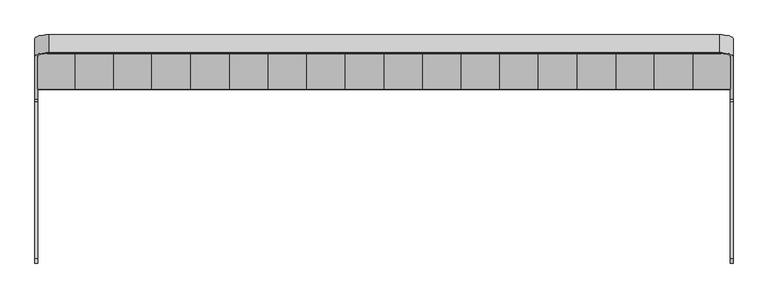
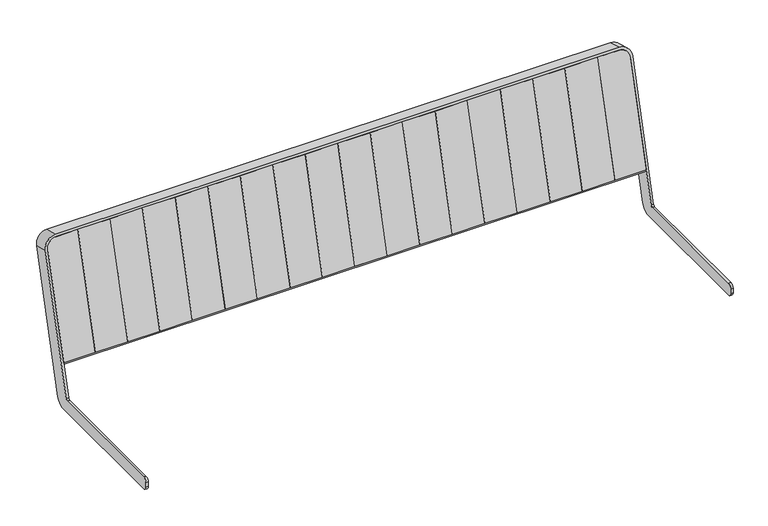
"""IFC4 building model written with IfcOpenShell, lengths in millimetres: furniture geometry."""

from ifc_helpers import new_model, si_unit, point, frame, frame_2d, origin, place, context, project, spatial, polyline, circle_curve, trimmed, segment, composite_curve, outline, extrude, source, transform, mapped, element, save
from ifc_brep_helpers import plane_surface, cylinder_surface, revolved_surface, advanced_brep


def furniture_ffbf348c(model_context):
    return source(origin(), model_context, "Body", "SolidModel", [
        extrude(outline(polyline([(0.0, -83.5799721), (0.0, 0.0), (39.1205751, 0.0), (39.1205751, -83.5799721), (0.0, -83.5799721)])), frame((580.2051572, 228.7525296, 518.4817281), z_axis=(0.0, 0.2588190451025214, 0.9659258262890681), x_axis=(0.0, 0.9659258262890681, -0.2588190451025214)), (0.0, 0.0, 1.0), 296.0),
        extrude(outline(polyline([(0.0, -81.4200279), (0.0, 0.0), (39.1205751, 0.0), (39.1205751, -81.4200279), (0.0, -81.4200279)])), frame((498.7851293, 228.7525296, 518.4817281), z_axis=(0.0, 0.2588190451025194, 0.9659258262890688), x_axis=(0.0, 0.9659258262890688, -0.2588190451025194)), (0.0, 0.0, 1.0), 296.0),
        extrude(outline(polyline([(0.0, -83.5799721), (0.0, 0.0), (39.1205751, 0.0), (39.1205751, -83.5799721), (0.0, -83.5799721)])), frame((415.2051572, 228.7525296, 518.4817281), z_axis=(0.0, 0.25881904510252124, 0.9659258262890682), x_axis=(0.0, 0.9659258262890682, -0.25881904510252124)), (0.0, 0.0, 1.0), 296.0),
        extrude(outline(polyline([(0.0, -83.394898), (0.0, 0.0), (39.1205751, 0.0), (39.1205751, -83.394898), (0.0, -83.394898)])), frame((331.8102592, 228.7525296, 518.4817281), z_axis=(0.0, 0.25881904510252124, 0.9659258262890682), x_axis=(0.0, 0.9659258262890682, -0.25881904510252124)), (0.0, 0.0, 1.0), 296.0),
        extrude(outline(polyline([(0.0, -82.7835857), (0.0, 0.0), (39.1205751, 0.0), (39.1205751, -82.7835857), (0.0, -82.7835857)])), frame((249.0266735, 228.7525296, 518.4817281), z_axis=(0.0, 0.25881904510252124, 0.9659258262890682), x_axis=(0.0, 0.9659258262890682, -0.25881904510252124)), (0.0, 0.0, 1.0), 296.0),
        extrude(outline(polyline([(0.0, -83.4381797), (0.0, 0.0), (39.1205751, 0.0), (39.1205751, -83.4381797), (0.0, -83.4381797)])), frame((165.5884938, 228.7525296, 518.4817281), z_axis=(0.0, 0.25881904510252124, 0.9659258262890682), x_axis=(0.0, 0.9659258262890682, -0.25881904510252124)), (0.0, 0.0, 1.0), 296.0),
        extrude(outline(polyline([(0.0, -82.4183987), (0.0, 0.0), (39.1205751, 0.0), (39.1205751, -82.4183987), (0.0, -82.4183987)])), frame((83.1700951, 228.7525296, 518.4817281), z_axis=(0.0, 0.25881904510252124, 0.9659258262890682), x_axis=(0.0, 0.9659258262890682, -0.25881904510252124)), (0.0, 0.0, 1.0), 296.0),
        extrude(outline(polyline([(0.0, -83.1700951), (0.0, 0.0), (39.1205751, 0.0), (39.1205751, -83.1700951), (0.0, -83.1700951)])), frame((0.0, 228.7525296, 518.4817281), z_axis=(0.0, 0.25881904510252124, 0.9659258262890682), x_axis=(0.0, 0.9659258262890682, -0.25881904510252124)), (0.0, 0.0, 1.0), 296.0),
        extrude(outline(polyline([(0.0, -83.1700951), (0.0, 0.0), (39.1205751, 0.0), (39.1205751, -83.1700951), (0.0, -83.1700951)])), frame((-83.1700951, 228.7525296, 518.4817281), z_axis=(0.0, 0.2588190451025214, 0.9659258262890681), x_axis=(0.0, 0.9659258262890681, -0.2588190451025214)), (0.0, 0.0, 1.0), 296.0),
        extrude(outline(polyline([(0.0, -82.4183987), (0.0, 0.0), (39.1205751, 0.0), (39.1205751, -82.4183987), (0.0, -82.4183987)])), frame((-165.5884938, 228.7525296, 518.4817281), z_axis=(0.0, 0.2588190451025214, 0.9659258262890681), x_axis=(0.0, 0.9659258262890681, -0.2588190451025214)), (0.0, 0.0, 1.0), 296.0),
        extrude(outline(polyline([(0.0, -83.4381797), (0.0, 0.0), (39.1205751, 0.0), (39.1205751, -83.4381797), (0.0, -83.4381797)])), frame((-249.0266735, 228.7525296, 518.4817281), z_axis=(0.0, 0.2588190451025214, 0.9659258262890681), x_axis=(0.0, 0.9659258262890681, -0.2588190451025214)), (0.0, 0.0, 1.0), 296.0),
        extrude(outline(polyline([(0.0, -82.7835857), (0.0, 0.0), (39.1205751, 0.0), (39.1205751, -82.7835857), (0.0, -82.7835857)])), frame((-331.8102592, 228.7525296, 518.4817281), z_axis=(0.0, 0.2588190451025214, 0.9659258262890681), x_axis=(0.0, 0.9659258262890681, -0.2588190451025214)), (0.0, 0.0, 1.0), 296.0),
        extrude(outline(polyline([(0.0, -83.394898), (0.0, 0.0), (39.1205751, 0.0), (39.1205751, -83.394898), (0.0, -83.394898)])), frame((-415.2051572, 228.7525296, 518.4817281), z_axis=(0.0, 0.25881904510252124, 0.9659258262890682), x_axis=(0.0, 0.9659258262890682, -0.25881904510252124)), (0.0, 0.0, 1.0), 296.0),
        extrude(outline(polyline([(0.0, -83.5799721), (0.0, 0.0), (39.1205751, 0.0), (39.1205751, -83.5799721), (0.0, -83.5799721)])), frame((-498.7851293, 228.7525296, 518.4817281), z_axis=(0.0, 0.2588190451025214, 0.9659258262890681), x_axis=(0.0, 0.9659258262890681, -0.2588190451025214)), (0.0, 0.0, 1.0), 296.0),
        extrude(outline(polyline([(0.0, -81.4200279), (0.0, 0.0), (39.1205751, 0.0), (39.1205751, -81.4200279), (0.0, -81.4200279)])), frame((-580.2051572, 228.7525296, 518.4817281), z_axis=(0.0, 0.25881904510252124, 0.9659258262890682), x_axis=(0.0, 0.9659258262890682, -0.25881904510252124)), (0.0, 0.0, 1.0), 296.0),
        extrude(outline(polyline([(0.0, -83.5799721), (0.0, 0.0), (39.1205751, 0.0), (39.1205751, -83.5799721), (0.0, -83.5799721)])), frame((-663.7851293, 228.7525296, 518.4817281), z_axis=(0.0, 0.25881904510251963, 0.9659258262890686), x_axis=(0.0, 0.9659258262890686, -0.25881904510251963)), (0.0, 0.0, 1.0), 296.0),
        extrude(outline(composite_curve([segment(polyline([(-25.0, -24.9999999), (-25.0, 246.0), (55.2148, 246.0), (55.2148, -50.0), (0.0, -50.0)]), True, "CONTINUOUS"), segment(trimmed(circle_curve(frame_2d((0.0, -24.9999999)), 25.0), [point((0.0, -50.0))], [point((-25.0, -24.9999999))], False, "CARTESIAN"), True, "CONTINUOUS")], self_intersect=False)), frame((718.9999293, 330.2095885, 745.9743315), z_axis=(0.0, -0.9659258262890683, 0.2588190451025209), x_axis=(-1.0, 0.0, 0.0)), (0.0, 0.0, 1.0), 39.120575),
        extrude(outline(composite_curve([segment(trimmed(circle_curve(frame_2d((0.0, -25.0)), 25.0), [point((0.0, 0.0))], [point((25.0, -25.0))], False, "CARTESIAN"), True, "CONTINUOUS"), segment(polyline([(25.0, -25.0), (25.0, -80.2148), (-271.0, -80.2148), (-271.0, 0.0), (0.0, 0.0)]), True, "CONTINUOUS")], self_intersect=False)), frame((-743.9999293, 336.6800646, 770.1224771), z_axis=(0.0, -0.9659258262890682, 0.2588190451025209), x_axis=(0.0, 0.2588190451025209, 0.9659258262890682)), (0.0, 0.0, 1.0), 39.120575),
        extrude(outline(composite_curve([segment(polyline([(-20.0, 0.0), (0.0, 0.0)]), True, "CONTINUOUS"), segment(trimmed(circle_curve(frame_2d((0.0, -25.0)), 25.0), [point((0.0, 0.0))], [point((25.0, -25.0))], False, "CARTESIAN"), True, "CONTINUOUS"), segment(polyline([(25.0, -25.0), (25.0, -1462.9998586)]), True, "CONTINUOUS"), segment(trimmed(circle_curve(frame_2d((0.0, -1462.9998586)), 25.0), [point((25.0, -1462.9998586))], [point((0.0, -1487.9998586))], False, "CARTESIAN"), True, "CONTINUOUS"), segment(polyline([(0.0, -1487.9998586), (-20.0, -1487.9998586), (-20.0, 0.0)]), True, "CONTINUOUS")], self_intersect=False)), frame((-743.9999293, 337.5295239, 769.8948652), z_axis=(0.0, -0.9659258262890719, 0.25881904510250753), x_axis=(0.0, 0.25881904510250753, 0.9659258262890719)), (0.0, 0.0, 1.0), 3.0),
        advanced_brep(
        [(-743.9999293, 207.0117298, 437.3439587), (-743.9999293, 202.1821007, 433.6380539), (-743.9999293, -135.5529143, 433.6380539), (-743.9999293, -145.5529143, 423.6380539), (-743.9999293, -145.5529143, 411.6380539), (-743.9999293, -135.5529143, 401.6380539), (-743.9999293, 219.672234, 401.6380539), (-743.9999293, 243.8203796, 420.1675778), (-743.9999293, 337.5295239, 769.8948652), (-743.9999293, 298.8924908, 780.247627), (-749.9999293, 243.8203796, 420.1675778), (-749.9999293, 219.672234, 401.6380539), (-749.9999293, -135.5529143, 401.6380539), (-749.9999293, -145.5529143, 411.6380539), (-749.9999293, -145.5529143, 423.6380539), (-749.9999293, -135.5529143, 433.6380539), (-749.9999293, 202.1821007, 433.6380539), (-749.9999293, 207.0117298, 437.3439587), (-749.9999293, 299.1513099, 781.2135528), (-749.9999293, 337.7883429, 770.860791), (-718.9999293, 305.3629669, 804.3957727), (718.9999293, 305.3629669, 804.3957727), (743.9999293, 298.8924908, 780.247627), (743.9999293, 207.0117298, 437.3439587), (749.9999293, 207.0117298, 437.3439587), (749.9999293, 299.1513099, 781.2135528), (719.9999293, 306.9158812, 810.1913276), (-719.9999293, 306.9158812, 810.1913276), (-719.9999293, 345.5529143, 799.8385658), (719.9999293, 345.5529143, 799.8385658), (749.9999293, 337.7883429, 770.860791), (749.9999293, 243.8203796, 420.1675778), (743.9999293, 243.8203796, 420.1675778), (743.9999293, 337.5295239, 769.8948652), (718.9999293, 344.0, 794.0430109), (-718.9999293, 344.0, 794.0430109), (743.9999293, 219.672234, 401.6380539), (743.9999293, -135.5529143, 401.6380539), (743.9999293, -145.5529143, 411.6380539), (743.9999293, -145.5529143, 423.6380539), (743.9999293, -135.5529143, 433.6380539), (743.9999293, 202.1821007, 433.6380539), (749.9999293, 202.1821007, 433.6380539), (749.9999293, -135.5529143, 433.6380539), (749.9999293, -145.5529143, 423.6380539), (749.9999293, -145.5529143, 411.6380539), (749.9999293, -135.5529143, 401.6380539), (749.9999293, 219.672234, 401.6380539)],
        [
            (0, 1, circle_curve(frame((-743.9999293, 202.1821007, 438.6380539), z_axis=(-1.0, 0.0, 0.0), x_axis=(0.0, 0.0, -1.0)), 5.0)),
            (1, 2),
            (2, 3, circle_curve(frame((-743.9999293, -135.5529143, 423.6380539), z_axis=(1.0, 0.0, 0.0), x_axis=(0.0, -1.0, 0.0)), 10.0)),
            (3, 4),
            (4, 5, circle_curve(frame((-743.9999293, -135.5529143, 411.6380539), z_axis=(1.0, 0.0, 0.0), x_axis=(0.0, -1.0, 0.0)), 10.0)),
            (5, 6),
            (6, 7, circle_curve(frame((-743.9999293, 219.672234, 426.6380539), z_axis=(1.0, 0.0, 0.0), x_axis=(0.0, 0.0, -1.0)), 25.0)),
            (7, 8),
            (8, 9),
            (9, 0),
            (10, 11, circle_curve(frame((-749.9999293, 219.672234, 426.6380539), z_axis=(-1.0, 0.0, 0.0), x_axis=(0.0, 0.0, -1.0)), 25.0)),
            (11, 12),
            (12, 13, circle_curve(frame((-749.9999293, -135.5529143, 411.6380539), z_axis=(-1.0, 0.0, 0.0), x_axis=(0.0, -1.0, 0.0)), 10.0)),
            (13, 14),
            (14, 15, circle_curve(frame((-749.9999293, -135.5529143, 423.6380539), z_axis=(-1.0, 0.0, 0.0), x_axis=(0.0, -1.0, 0.0)), 10.0)),
            (15, 16),
            (16, 17, circle_curve(frame((-749.9999293, 202.1821007, 438.6380539), z_axis=(1.0, 0.0, 0.0), x_axis=(0.0, 0.0, -1.0)), 5.0)),
            (17, 18),
            (18, 19),
            (19, 10),
            (17, 0),
            (9, 20, circle_curve(frame((-718.9999293, 298.8924908, 780.247627), z_axis=(0.0, 0.9659258262890719, -0.25881904510250753), x_axis=(0.0, -0.25881904510250753, -0.9659258262890719)), 25.0)),
            (20, 21),
            (21, 22, circle_curve(frame((718.9999293, 298.8924908, 780.247627), z_axis=(0.0, 0.9659258262890719, -0.25881904510250753), x_axis=(0.0, -0.25881904510250753, -0.9659258262890719)), 25.0)),
            (22, 23),
            (23, 24),
            (24, 25),
            (25, 26, circle_curve(frame((719.9999293, 299.1513099, 781.2135528), z_axis=(0.0, -0.9659258262890719, 0.25881904510250753), x_axis=(0.0, -0.25881904510250753, -0.9659258262890719)), 30.0)),
            (26, 27),
            (27, 18, circle_curve(frame((-719.9999293, 299.1513099, 781.2135528), z_axis=(0.0, -0.9659258262890719, 0.25881904510250753), x_axis=(0.0, -0.25881904510250753, -0.9659258262890719)), 30.0)),
            (16, 1),
            (6, 11),
            (10, 7),
            (19, 28, circle_curve(frame((-719.9999293, 337.7883429, 770.860791), z_axis=(0.0, 0.9659258262890719, -0.25881904510250753), x_axis=(0.0, -0.25881904510250753, -0.9659258262890719)), 30.0)),
            (28, 29),
            (29, 30, circle_curve(frame((719.9999293, 337.7883429, 770.860791), z_axis=(0.0, 0.9659258262890719, -0.25881904510250753), x_axis=(0.0, -0.25881904510250753, -0.9659258262890719)), 30.0)),
            (30, 31),
            (31, 32),
            (32, 33),
            (33, 34, circle_curve(frame((718.9999293, 337.5295239, 769.8948652), z_axis=(0.0, -0.9659258262890719, 0.25881904510250753), x_axis=(0.0, -0.25881904510250753, -0.9659258262890719)), 25.0)),
            (34, 35),
            (35, 8, circle_curve(frame((-718.9999293, 337.5295239, 769.8948652), z_axis=(0.0, -0.9659258262890719, 0.25881904510250753), x_axis=(0.0, -0.25881904510250753, -0.9659258262890719)), 25.0)),
            (15, 2),
            (14, 3),
            (13, 4),
            (12, 5),
            (27, 28),
            (26, 29),
            (20, 35),
            (34, 21),
            (25, 30),
            (33, 22),
            (32, 36, circle_curve(frame((743.9999293, 219.672234, 426.6380539), z_axis=(-1.0, 0.0, 0.0), x_axis=(0.0, 0.0, -1.0)), 25.0)),
            (36, 37),
            (37, 38, circle_curve(frame((743.9999293, -135.5529143, 411.6380539), z_axis=(-1.0, 0.0, 0.0), x_axis=(0.0, -1.0, 0.0)), 10.0)),
            (38, 39),
            (39, 40, circle_curve(frame((743.9999293, -135.5529143, 423.6380539), z_axis=(-1.0, 0.0, 0.0), x_axis=(0.0, -1.0, 0.0)), 10.0)),
            (40, 41),
            (41, 23, circle_curve(frame((743.9999293, 202.1821007, 438.6380539), z_axis=(1.0, 0.0, 0.0), x_axis=(0.0, 0.0, -1.0)), 5.0)),
            (24, 42, circle_curve(frame((749.9999293, 202.1821007, 438.6380539), z_axis=(-1.0, 0.0, 0.0), x_axis=(0.0, 0.0, -1.0)), 5.0)),
            (42, 43),
            (43, 44, circle_curve(frame((749.9999293, -135.5529143, 423.6380539), z_axis=(1.0, 0.0, 0.0), x_axis=(0.0, -1.0, 0.0)), 10.0)),
            (44, 45),
            (45, 46, circle_curve(frame((749.9999293, -135.5529143, 411.6380539), z_axis=(1.0, 0.0, 0.0), x_axis=(0.0, -1.0, 0.0)), 10.0)),
            (46, 47),
            (47, 31, circle_curve(frame((749.9999293, 219.672234, 426.6380539), z_axis=(1.0, 0.0, 0.0), x_axis=(0.0, 0.0, -1.0)), 25.0)),
            (41, 42),
            (47, 36),
            (40, 43),
            (39, 44),
            (38, 45),
            (37, 46),
        ],
        [
            plane_surface(frame((-743.9999293, 286.7279957, 734.8491132), z_axis=(1.0, 0.0, 0.0), x_axis=(0.0, -0.25881904510249437, -0.9659258262890754))),
            plane_surface(frame((-749.9999293, 286.7279957, 734.8491132), z_axis=(-1.0, 0.0, 0.0), x_axis=(0.0, 0.25881904510249437, 0.9659258262890754))),
            plane_surface(frame((-743.9999293, 286.7279957, 734.8491132), z_axis=(0.0, -0.9659258262890754, 0.25881904510249437), x_axis=(-1.0, 0.0, 0.0))),
            revolved_surface(polyline([(-749.9999293, 202.1821007, 433.6380539), (-743.9999293, 202.1821007, 433.6380539)]), (-749.9999293, 202.1821007, 438.6380539), (-1.0, 0.0, 0.0)),
            cylinder_surface(frame((-749.9999293, 219.672234, 426.6380539), z_axis=(1.0, 0.0, 0.0), x_axis=(0.0, 0.0, -1.0)), 25.0),
            plane_surface(frame((-743.9999293, 243.8203796, 420.1675778), z_axis=(0.0, 0.9659258262890719, -0.2588190451025076), x_axis=(-1.0, 0.0, 0.0))),
            plane_surface(frame((-743.9999293, 202.1821007, 433.6380539), z_axis=(0.0, 0.0, 1.0), x_axis=(-1.0, 0.0, 0.0))),
            cylinder_surface(frame((-749.9999293, -135.5529143, 423.6380539), z_axis=(1.0, 0.0, 0.0), x_axis=(0.0, -1.0, 0.0)), 10.0),
            plane_surface(frame((-743.9999293, -145.5529143, 423.6380539), z_axis=(0.0, -1.0, 0.0), x_axis=(-1.0, 0.0, 0.0))),
            cylinder_surface(frame((-749.9999293, -135.5529143, 411.6380539), z_axis=(1.0, 0.0, 0.0), x_axis=(0.0, -1.0, 0.0)), 10.0),
            plane_surface(frame((-743.9999293, -135.5529143, 401.6380539), z_axis=(0.0, 0.0, -1.0), x_axis=(-1.0, 0.0, 0.0))),
            cylinder_surface(frame((-719.9999293, 299.1513099, 781.2135528), z_axis=(0.0, 0.9659258262890719, -0.25881904510250753), x_axis=(0.0, -0.25881904510250753, -0.9659258262890719)), 30.0),
            plane_surface(frame((-719.9999293, 345.5529143, 799.8385658), z_axis=(0.0, 0.25881904510250764, 0.9659258262890719), x_axis=(0.0, -0.9659258262890719, 0.25881904510250764))),
            plane_surface(frame((0.0, 344.0, 794.0430109), z_axis=(0.0, -0.2588190451025072, -0.965925826289072), x_axis=(0.0, -0.965925826289072, 0.2588190451025072))),
            revolved_surface(polyline([(-718.9999293, 292.4220146360277, 756.0994813525291), (-718.9999293, 331.0590477681676, 745.7467195268383)]), (-718.9999293, 298.8924908, 780.247627), (0.0, -0.9659258262890719, 0.25881904510250753)),
            cylinder_surface(frame((719.9999293, 299.1513099, 781.2135528), z_axis=(0.0, 0.9659258262890719, -0.25881904510250753), x_axis=(0.0, -0.25881904510250753, -0.9659258262890719)), 30.0),
            revolved_surface(polyline([(718.9999293, 292.4220146360277, 756.0994813525291), (718.9999293, 331.0590477681676, 745.7467195268383)]), (718.9999293, 298.8924908, 780.247627), (0.0, -0.9659258262890719, 0.25881904510250753)),
            plane_surface(frame((743.9999293, 325.3650288, 724.4963514), z_axis=(-1.0, 0.0, 0.0), x_axis=(0.0, -0.965925826289072, 0.2588190451025072))),
            plane_surface(frame((749.9999293, 337.7883429, 770.860791), z_axis=(1.0, 0.0, 0.0), x_axis=(0.0, -0.965925826289072, 0.2588190451025072))),
            revolved_surface(polyline([(749.9999293, 202.1821007, 433.6380539), (743.9999293, 202.1821007, 433.6380539)]), (749.9999293, 202.1821007, 438.6380539), (1.0, 0.0, 0.0)),
            cylinder_surface(frame((749.9999293, 219.672234, 426.6380539), z_axis=(-1.0, 0.0, 0.0), x_axis=(0.0, 0.0, -1.0)), 25.0),
            plane_surface(frame((743.9999293, -135.5529143, 433.6380539), z_axis=(0.0, 0.0, 1.0), x_axis=(1.0, 0.0, 0.0))),
            cylinder_surface(frame((749.9999293, -135.5529143, 423.6380539), z_axis=(-1.0, 0.0, 0.0), x_axis=(0.0, -1.0, 0.0)), 10.0),
            plane_surface(frame((743.9999293, -145.5529143, 411.6380539), z_axis=(0.0, -1.0, 0.0), x_axis=(1.0, 0.0, 0.0))),
            cylinder_surface(frame((749.9999293, -135.5529143, 411.6380539), z_axis=(-1.0, 0.0, 0.0), x_axis=(0.0, -1.0, 0.0)), 10.0),
            plane_surface(frame((743.9999293, 219.672234, 401.6380539), z_axis=(0.0, 0.0, -1.0), x_axis=(1.0, 0.0, 0.0))),
        ],
        [
            (0, [[1, 2, 3, 4, 5, 6, 7, 8, 9, 10]]),
            (1, [[11, 12, 13, 14, 15, 16, 17, 18, 19, 20]]),
            (2, [[21, -10, 22, 23, 24, 25, 26, 27, 28, 29, 30, -18]]),
            (3, [[-1, -21, -17, 31]]),
            (4, [[-7, 32, -11, 33]]),
            (5, [[-33, -20, 34, 35, 36, 37, 38, 39, 40, 41, 42, -8]]),
            (6, [[-2, -31, -16, 43]]),
            (7, [[-3, -43, -15, 44]]),
            (8, [[-4, -44, -14, 45]]),
            (9, [[-5, -45, -13, 46]]),
            (10, [[-6, -46, -12, -32]]),
            (11, [[-34, -19, -30, 47]]),
            (12, [[-47, -29, 48, -35]]),
            (13, [[49, -41, 50, -23]]),
            (14, [[-42, -49, -22, -9]]),
            (15, [[-36, -48, -28, 51]]),
            (16, [[-40, 52, -24, -50]]),
            (17, [[-39, 53, 54, 55, 56, 57, 58, 59, -25, -52]]),
            (18, [[-37, -51, -27, 60, 61, 62, 63, 64, 65, 66]]),
            (19, [[-59, 67, -60, -26]]),
            (20, [[-53, -38, -66, 68]]),
            (21, [[-58, 69, -61, -67]]),
            (22, [[-57, 70, -62, -69]]),
            (23, [[-56, 71, -63, -70]]),
            (24, [[-55, 72, -64, -71]]),
            (25, [[-54, -68, -65, -72]]),
        ],
    ),
        extrude(outline(composite_curve([segment(polyline([(262.7952755, 506.2541733), (227.9760725, 515.5839506), (228.7525296, 518.4817281), (263.5527745, 509.1570306)]), True, "CONTINUOUS"), segment(trimmed(circle_curve(frame_2d((263.8043817, 510.0960412)), 0.9721354), [point((263.5527745, 509.1570306))], [point((264.7433923, 509.8444341))], True, "CARTESIAN"), True, "CONTINUOUS"), segment(polyline([(264.7433923, 509.8444341), (275.3621851, 549.4743081), (278.2599625, 548.697851), (267.63609, 509.0490188)]), True, "CONTINUOUS"), segment(trimmed(circle_curve(frame_2d((263.8182599, 510.0720033)), 3.9525085), [point((267.63609, 509.0490188))], [point((262.7952755, 506.2541733))], False, "CARTESIAN"), True, "CONTINUOUS")], self_intersect=False)), frame((-743.9999293, 0.0, 0.0), z_axis=(1.0, 0.0, 0.0), x_axis=(0.0, 1.0, 0.0)), (0.0, 0.0, 1.0), 1488.0),
    ])


if __name__ == "__main__":
    model = new_model("IFC4")
    model_context = context("Model", 3, world=origin())
    ifc_project = project(units=[si_unit("LENGTHUNIT", "METRE", prefix="MILLI")], contexts=[model_context])
    site = spatial("IfcSite", under=ifc_project)
    building = spatial("IfcBuilding", under=site)
    placement = place(None, origin())
    furniture_shape = furniture_ffbf348c(model_context)
    element("IfcFurniture", 1, at=placement, inside=building, context=model_context, shape_type="MappedRepresentation", body=[
        mapped(furniture_shape, transform((0.0, 0.0, 0.0), x_axis=(1.0, 0.0, 0.0), y_axis=(0.0, 1.0, 0.0), z_axis=(0.0, 0.0, 1.0))),
    ])
    save(model, "model.ifc")
